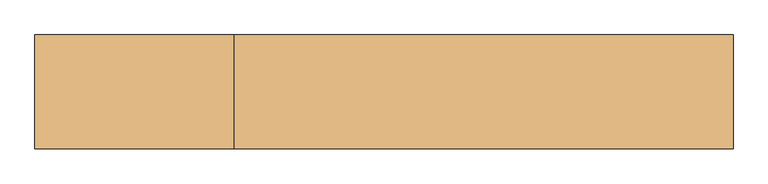
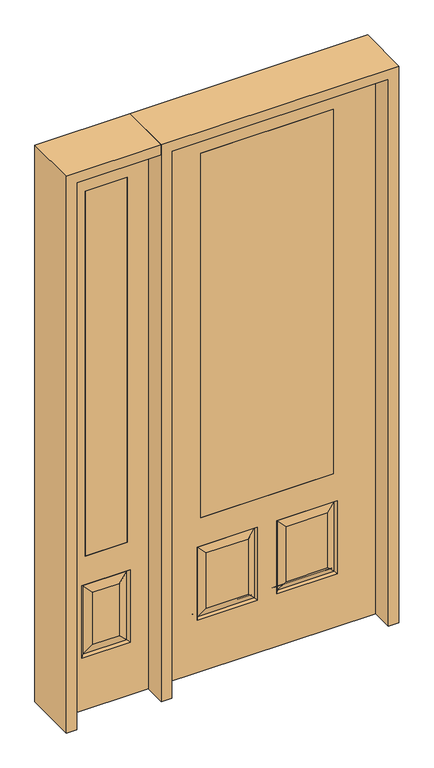
"""IFC4 building model written with IfcOpenShell, lengths in millimetres: door geometry."""

from ifc_helpers import new_model, si_unit, frame, origin, place, context, project, spatial, polyline, outline, extrude, faceted_brep, source, transform, mapped, element, save


def door_02201d97(model_context):
    return source(origin(), model_context, "Body", "SolidModel", [
        extrude(outline(polyline([(-590.55, -20.6375), (-768.35, -20.6375), (-768.35, 20.6375), (-590.55, 20.6375), (-590.55, -20.6375)])), frame((0.0, 0.0, 685.8), z_axis=(0.0, 0.0, 1.0), x_axis=(1.0, 0.0, 0.0)), (0.0, 0.0, 1.0), 1625.6),
        faceted_brep([(-857.25, -20.6375, 0.0), (-501.65, -20.6375, 0.0), (-501.65, -20.6375, 2438.4), (-857.25, -20.6375, 2438.4), (-577.85, -20.6375, 234.95), (-781.05, -20.6375, 234.95), (-781.05, -20.6375, 558.8), (-577.85, -20.6375, 558.8), (-590.55, -20.6375, 685.8), (-768.35, -20.6375, 685.8), (-768.35, -20.6375, 2311.4), (-590.55, -20.6375, 2311.4), (-735.0125, -20.6375, 280.9875), (-623.8875, -20.6375, 280.9875), (-623.8875, -20.6375, 512.7625), (-735.0125, -20.6375, 512.7625), (-857.25, 20.6375, 0.0), (-501.65, 20.6375, 0.0), (-501.65, 20.6375, 2438.4), (-857.25, 20.6375, 2438.4), (-586.8302561, -11.6572439, 243.9302561), (-772.0697439, -11.6572439, 243.9302561), (-772.0697439, -11.6572439, 549.8197439), (-586.8302561, -11.6572439, 549.8197439), (-781.05, 20.6375, 234.95), (-577.85, 20.6375, 234.95), (-577.85, 20.6375, 558.8), (-781.05, 20.6375, 558.8), (-768.35, 20.6375, 685.8), (-590.55, 20.6375, 685.8), (-590.55, 20.6375, 2311.4), (-768.35, 20.6375, 2311.4), (-623.8875, 20.6375, 280.9875), (-735.0125, 20.6375, 280.9875), (-735.0125, 20.6375, 512.7625), (-623.8875, 20.6375, 512.7625), (-772.0697439, 11.6572439, 243.9302561), (-586.8302561, 11.6572439, 243.9302561), (-586.8302561, 11.6572439, 549.8197439), (-772.0697439, 11.6572439, 549.8197439)], [[[0, 1, 2, 3], [4, 5, 6, 7], [8, 9, 10, 11]], [[12, 13, 14, 15]], [[1, 0, 16, 17]], [[2, 1, 17, 18]], [[0, 3, 19, 16]], [[20, 21, 5, 4]], [[5, 21, 22, 6]], [[6, 22, 23, 7]], [[20, 4, 7, 23]], [[21, 20, 13, 12]], [[13, 20, 23, 14]], [[22, 15, 14, 23]], [[21, 12, 15, 22]], [[16, 19, 18, 17], [24, 25, 26, 27], [28, 29, 30, 31]], [[32, 33, 34, 35]], [[24, 36, 37, 25]], [[25, 37, 38, 26]], [[39, 27, 26, 38]], [[36, 24, 27, 39]], [[37, 36, 33, 32]], [[33, 36, 39, 34]], [[34, 39, 38, 35]], [[37, 32, 35, 38]], [[3, 2, 18, 19]], [[8, 29, 28, 9]], [[9, 28, 31, 10]], [[29, 8, 11, 30]], [[30, 11, 10, 31]]]),
        faceted_brep([(279.4, 20.6375, 685.8), (279.4, -20.6375, 685.8), (279.4, -20.6375, 2311.4), (279.4, 20.6375, 2311.4), (-279.4, 20.6375, 685.8), (-279.4, -20.6375, 685.8), (-80.1727627, 20.6375, 273.8477627), (-256.3772373, 20.6375, 273.8477627), (-256.3772373, 20.6375, 520.4102373), (-80.1727627, 20.6375, 520.4102373), (256.3772373, 20.6375, 273.8477627), (80.1727627, 20.6375, 273.8477627), (80.1727627, 20.6375, 520.4102373), (256.3772373, 20.6375, 520.4102373), (-457.2, 20.6375, 2438.4), (457.2, 20.6375, 2438.4), (457.2, 20.6375, 0.0), (-457.2, 20.6375, 0.0), (-279.4, 20.6375, 2311.4), (-295.275, 20.6375, 234.95), (-41.275, 20.6375, 234.95), (-41.275, 20.6375, 559.308), (-295.275, 20.6375, 559.308), (41.275, 20.6375, 234.95), (295.275, 20.6375, 234.95), (295.275, 20.6375, 559.308), (41.275, 20.6375, 559.308), (-279.4, -20.6375, 2311.4), (80.1727627, -20.6375, 273.8477627), (256.3772373, -20.6375, 273.8477627), (256.3772373, -20.6375, 520.4102373), (80.1727627, -20.6375, 520.4102373), (-256.3772373, -20.6375, 273.8477627), (-80.1727627, -20.6375, 273.8477627), (-80.1727627, -20.6375, 520.4102373), (-256.3772373, -20.6375, 520.4102373), (457.2, -20.6375, 2438.4), (-457.2, -20.6375, 2438.4), (-457.2, -20.6375, 0.0), (457.2, -20.6375, 0.0), (295.275, -20.6375, 234.95), (41.275, -20.6375, 234.95), (41.275, -20.6375, 559.308), (295.275, -20.6375, 559.308), (-41.275, -20.6375, 234.95), (-295.275, -20.6375, 234.95), (-295.275, -20.6375, 559.308), (-41.275, -20.6375, 559.308), (-287.8714647, 11.4399763, 242.3535353), (-48.6785353, 11.4399763, 242.3535353), (-48.6785353, 11.4399763, 551.9044647), (-287.8714647, 11.4399763, 551.9044647), (48.6785353, 11.4399763, 242.3535353), (287.8714647, 11.4399763, 242.3535353), (287.8714647, 11.4399763, 551.9044647), (48.6785353, 11.4399763, 551.9044647), (287.8714647, -11.4399763, 242.3535353), (48.6785353, -11.4399763, 242.3535353), (48.6785353, -11.4399763, 551.9044647), (287.8714647, -11.4399763, 551.9044647), (-48.6785353, -11.4399763, 242.3535353), (-287.8714647, -11.4399763, 242.3535353), (-287.8714647, -11.4399763, 551.9044647), (-48.6785353, -11.4399763, 551.9044647)], [[[0, 1, 2, 3]], [[1, 0, 4, 5]], [[6, 7, 8, 9]], [[10, 11, 12, 13]], [[14, 15, 16, 17], [4, 0, 3, 18], [19, 20, 21, 22], [23, 24, 25, 26]], [[5, 4, 18, 27]], [[28, 29, 30, 31]], [[32, 33, 34, 35]], [[36, 37, 38, 39], [1, 5, 27, 2], [40, 41, 42, 43], [44, 45, 46, 47]], [[39, 38, 17, 16]], [[37, 14, 17, 38]], [[15, 36, 39, 16]], [[19, 48, 49, 20]], [[20, 49, 50, 21]], [[51, 22, 21, 50]], [[48, 19, 22, 51]], [[49, 48, 7, 6]], [[7, 48, 51, 8]], [[8, 51, 50, 9]], [[49, 6, 9, 50]], [[52, 53, 24, 23]], [[24, 53, 54, 25]], [[25, 54, 55, 26]], [[52, 23, 26, 55]], [[53, 52, 11, 10]], [[11, 52, 55, 12]], [[54, 13, 12, 55]], [[53, 10, 13, 54]], [[40, 56, 57, 41]], [[41, 57, 58, 42]], [[59, 43, 42, 58]], [[56, 40, 43, 59]], [[57, 56, 29, 28]], [[29, 56, 59, 30]], [[30, 59, 58, 31]], [[57, 28, 31, 58]], [[60, 61, 45, 44]], [[45, 61, 62, 46]], [[46, 62, 63, 47]], [[60, 44, 47, 63]], [[61, 60, 33, 32]], [[33, 60, 63, 34]], [[62, 35, 34, 63]], [[61, 32, 35, 62]], [[3, 2, 27, 18]], [[36, 15, 14, 37]]]),
        extrude(outline(polyline([(279.4, -20.6375), (-279.4, -20.6375), (-279.4, 20.6375), (279.4, 20.6375), (279.4, -20.6375)])), frame((0.0, 0.0, 685.8), z_axis=(0.0, 0.0, 1.0), x_axis=(1.0, 0.0, 0.0)), (0.0, 0.0, 1.0), 1625.6),
        extrude(outline(polyline([(2438.4, -501.65), (2482.85, -501.65), (2482.85, -901.7), (0.0, -901.7), (0.0, -857.25), (2438.4, -857.25), (2438.4, -501.65)])), frame((0.0, -114.3, 0.0), z_axis=(0.0, 1.0, 0.0), x_axis=(0.0, 0.0, 1.0)), (0.0, 0.0, 1.0), 228.6),
        extrude(outline(polyline([(2482.85, -501.65), (0.0, -501.65), (0.0, -457.2), (2438.4, -457.2), (2438.4, 457.2), (0.0, 457.2), (0.0, 501.65), (2482.85, 501.65), (2482.85, -501.65)])), frame((0.0, -114.3, 0.0), z_axis=(0.0, 1.0, 0.0), x_axis=(0.0, 0.0, 1.0)), (0.0, 0.0, 1.0), 228.6),
    ])


if __name__ == "__main__":
    model = new_model("IFC4")
    model_context = context("Model", 3, world=origin())
    ifc_project = project(units=[si_unit("LENGTHUNIT", "METRE", prefix="MILLI")], contexts=[model_context])
    site = spatial("IfcSite", under=ifc_project)
    building = spatial("IfcBuilding", under=site)
    placement = place(None, origin())
    door_shape = door_02201d97(model_context)
    element("IfcDoor", 1, at=placement, inside=building, context=model_context, shape_type="MappedRepresentation", body=[
        mapped(door_shape, transform((0.0, 0.0, 0.0), x_axis=(1.0, 0.0, 0.0), y_axis=(0.0, 1.0, 0.0), z_axis=(0.0, 0.0, 1.0))),
    ])
    save(model, "model.ifc")
